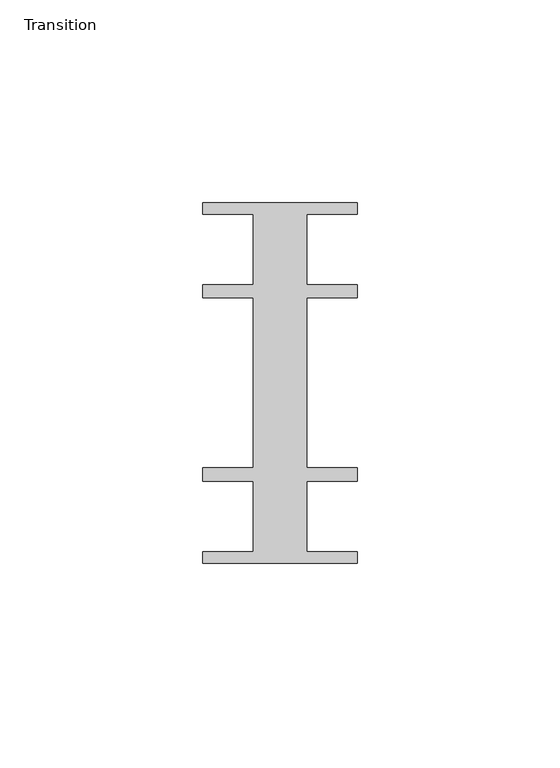
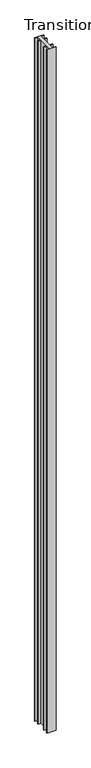
"""IFC4 building model written with IfcOpenShell, lengths in millimetres: furniture geometry, Transition."""

from ifc_helpers import new_model, si_unit, origin, origin_with_axes, place, context, project, spatial, polyline, outline, extrude, source, transform, mapped, element, save


def transition_b3f08b98(model_context):
    return source(origin(), model_context, "Body", "SweptSolid", [
        extrude(outline(polyline([(49.0271531, 57.1518064), (36.5771534, 57.1518064), (36.5771534, 39.7518058), (49.0271531, 39.7518058), (49.0271531, 36.4518057), (36.5771534, 36.4518057), (36.5771534, -5.4481956), (49.0271531, -5.4481956), (49.0271531, -8.7481957), (36.5771534, -8.7481957), (36.5771534, -26.1481963), (49.0271531, -26.1481963), (49.0271531, -28.948195), (10.9271531, -28.948195), (10.9271531, -26.1481963), (23.3771529, -26.1481963), (23.3771529, -8.7481957), (10.9271531, -8.7481957), (10.9271531, -5.4481956), (23.3771529, -5.4481956), (23.3771529, 36.4518057), (10.9271531, 36.4518057), (10.9271531, 39.7518058), (23.3771529, 39.7518058), (23.3771529, 57.1518064), (10.9271531, 57.1518064), (10.9271531, 59.951805), (49.0271531, 59.951805), (49.0271531, 57.1518064)])), origin_with_axes(), (0.0, 0.0, 1.0), 3048.0),
    ])


if __name__ == "__main__":
    model = new_model("IFC4")
    model_context = context("Model", 3, world=origin())
    ifc_project = project(units=[si_unit("LENGTHUNIT", "METRE", prefix="MILLI")], contexts=[model_context])
    site = spatial("IfcSite", under=ifc_project)
    building = spatial("IfcBuilding", under=site)
    placement = place(None, origin())
    transition_shape = transition_b3f08b98(model_context)
    element("IfcFurniture", 1, ObjectType="Transition", at=placement, inside=building, context=model_context, shape_type="MappedRepresentation", body=[
        mapped(transition_shape, transform((0.0, 0.0, 0.0), x_axis=(1.0, 0.0, 0.0), y_axis=(0.0, 1.0, 0.0), z_axis=(0.0, 0.0, 1.0))),
    ])
    save(model, "model.ifc")
